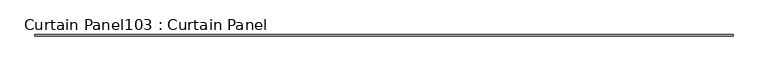
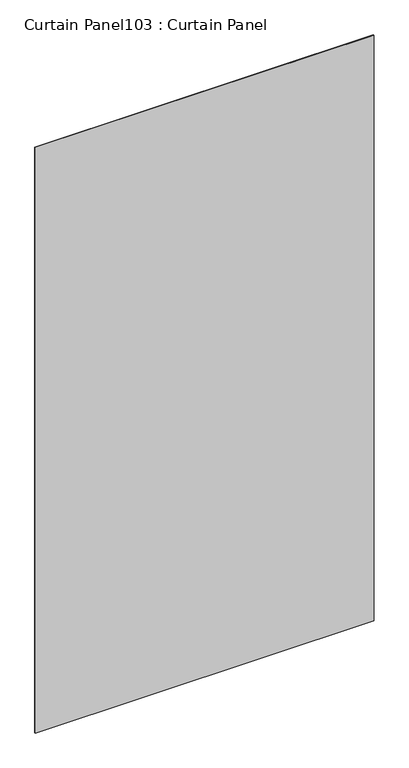
"""IFC4 building model written with IfcOpenShell, lengths in millimetres: plate geometry, Curtain Panel103 : Curtain Panel."""

from ifc_helpers import new_model, si_unit, frame, origin, place, context, project, spatial, polyline, outline, extrude, source, transform, mapped, element, save


def curtain_panel103_curtain_panel_778aa061(model_context):
    return source(origin(), model_context, "Body", "SweptSolid", [
        extrude(outline(polyline([(232041.3386393, 2363.6484836), (228648.4507922, 2363.6484836), (228648.4507922, 2369.9984836), (232041.3386393, 2369.9984836), (232041.3386393, 2363.6484836)])), frame((0.0, 0.0, 4914.2249337), z_axis=(0.0, 0.0, 1.0), x_axis=(1.0, 0.0, 0.0)), (0.0, 0.0, 1.0), 6199.4874735),
    ])


if __name__ == "__main__":
    model = new_model("IFC4")
    model_context = context("Model", 3, world=origin())
    ifc_project = project(units=[si_unit("LENGTHUNIT", "METRE", prefix="MILLI")], contexts=[model_context])
    site = spatial("IfcSite", under=ifc_project)
    building = spatial("IfcBuilding", under=site)
    placement = place(None, origin())
    curtain_panel103_curtain_panel_shape = curtain_panel103_curtain_panel_778aa061(model_context)
    element("IfcPlate", 1, ObjectType="Curtain Panel103 : Curtain Panel", at=placement, inside=building, context=model_context, shape_type="MappedRepresentation", body=[
        mapped(curtain_panel103_curtain_panel_shape, transform((0.0, 0.0, 0.0), x_axis=(1.0, 0.0, 0.0), y_axis=(0.0, 1.0, 0.0), z_axis=(0.0, 0.0, 1.0))),
    ])
    save(model, "model.ifc")
